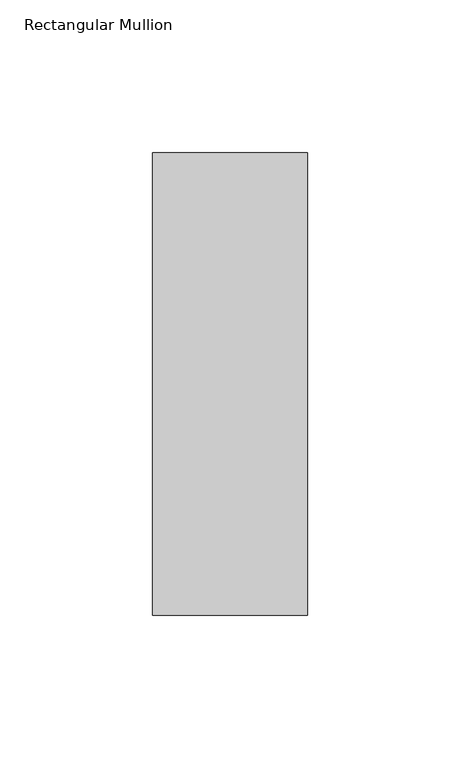
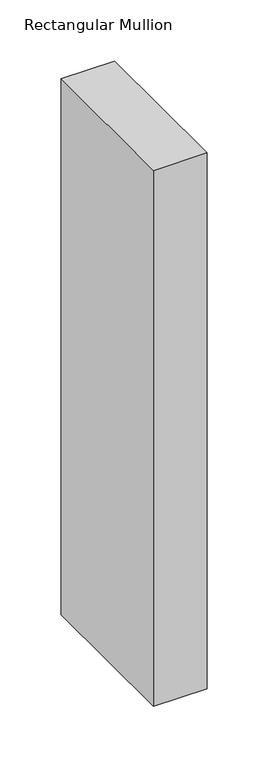
"""IFC4 building model written with IfcOpenShell, lengths in millimetres: member geometry, Rectangular Mullion."""

from ifc_helpers import new_model, si_unit, frame, origin, place, context, project, spatial, polyline, outline, extrude, source, transform, mapped, element, save


def rectangular_mullion_662e2d87(model_context):
    return source(origin(), model_context, "Body", "SweptSolid", [
        extrude(outline(polyline([(0.0, 25.796875), (0.0, -125.809375), (-50.8, -125.809375), (-50.8, 25.796875), (0.0, 25.796875)])), frame((0.0, 0.0, -536.5751522), z_axis=(0.0, 0.0, 1.0), x_axis=(1.0, 0.0, 0.0)), (0.0, 0.0, 1.0), 536.5751522),
    ])


if __name__ == "__main__":
    model = new_model("IFC4")
    model_context = context("Model", 3, world=origin())
    ifc_project = project(units=[si_unit("LENGTHUNIT", "METRE", prefix="MILLI")], contexts=[model_context])
    site = spatial("IfcSite", under=ifc_project)
    building = spatial("IfcBuilding", under=site)
    placement = place(None, origin())
    rectangular_mullion_shape = rectangular_mullion_662e2d87(model_context)
    element("IfcMember", 1, ObjectType="Rectangular Mullion", at=placement, inside=building, context=model_context, shape_type="MappedRepresentation", body=[
        mapped(rectangular_mullion_shape, transform((0.0, 0.0, 0.0), x_axis=(1.0, 0.0, 0.0), y_axis=(0.0, 1.0, 0.0), z_axis=(0.0, 0.0, 1.0))),
    ])
    save(model, "model.ifc")
